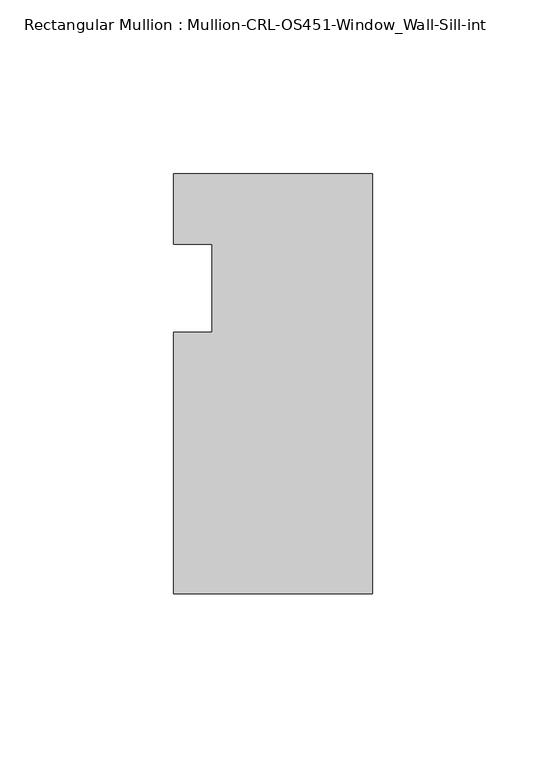
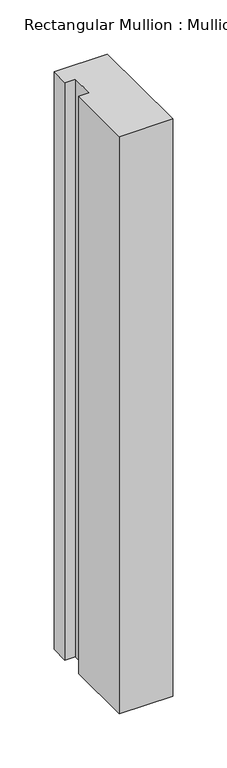
"""IFC4 building model written with IfcOpenShell, lengths in millimetres: member geometry, Rectangular Mullion : Mullion-CRL-OS451-Window_Wall-Sill-int."""

from ifc_helpers import new_model, si_unit, frame, origin, place, context, project, spatial, polyline, outline, extrude, source, transform, mapped, element, save


def rectangular_mullion_mullion_crl_os451_window_wall_sill_int_6015194d(model_context):
    return source(origin(), model_context, "Body", "SweptSolid", [
        extrude(outline(polyline([(0.0, -87.8956155), (-57.1524558, -87.8956155), (-57.1524558, -12.7), (-46.0527457, -12.7), (-46.0527457, 12.7), (-57.1524558, 12.7), (-57.1524558, 32.9067845), (0.0, 32.9067845), (0.0, -87.8956155)])), frame((0.0, 0.0, -652.5635658), z_axis=(0.0, 0.0, 1.0), x_axis=(1.0, 0.0, 0.0)), (0.0, 0.0, 1.0), 652.5635658),
    ])


if __name__ == "__main__":
    model = new_model("IFC4")
    model_context = context("Model", 3, world=origin())
    ifc_project = project(units=[si_unit("LENGTHUNIT", "METRE", prefix="MILLI")], contexts=[model_context])
    site = spatial("IfcSite", under=ifc_project)
    building = spatial("IfcBuilding", under=site)
    placement = place(None, origin())
    rectangular_mullion_mullion_crl_os451_window_wall_sill_int_shape = rectangular_mullion_mullion_crl_os451_window_wall_sill_int_6015194d(model_context)
    element("IfcMember", 1, ObjectType="Rectangular Mullion : Mullion-CRL-OS451-Window_Wall-Sill-int", at=placement, inside=building, context=model_context, shape_type="MappedRepresentation", body=[
        mapped(rectangular_mullion_mullion_crl_os451_window_wall_sill_int_shape, transform((0.0, 0.0, 0.0), x_axis=(1.0, 0.0, 0.0), y_axis=(0.0, 1.0, 0.0), z_axis=(0.0, 0.0, 1.0))),
    ])
    save(model, "model.ifc")
